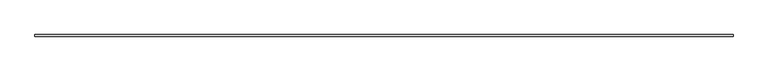
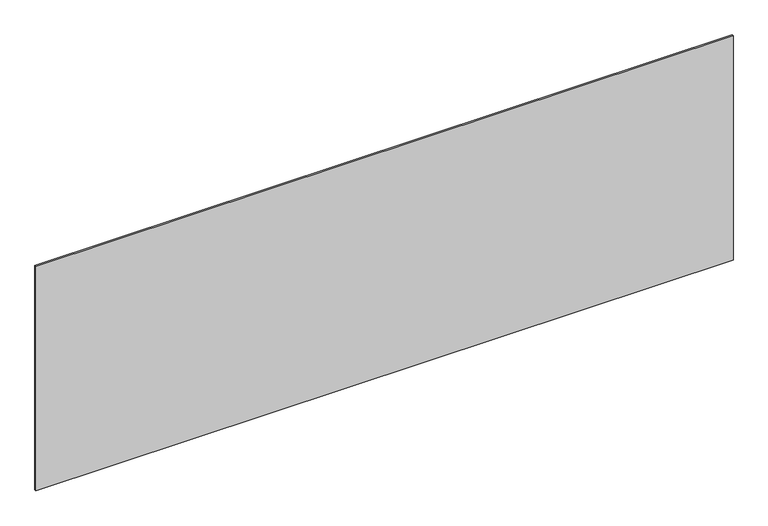
"""IFC4 building model written with IfcOpenShell, lengths in millimetres: plate geometry."""

from ifc_helpers import new_model, si_unit, origin, origin_with_axes, place, context, project, spatial, polyline, outline, extrude, source, transform, mapped, element, save


def plate_e74a51a4(model_context):
    return source(origin(), model_context, "Body", "SweptSolid", [
        extrude(outline(polyline([(2189.1666667, -5.0), (-2189.1666667, -5.0), (-2189.1666667, 5.0), (2189.1666667, 5.0), (2189.1666667, -5.0)])), origin_with_axes(), (0.0, 0.0, 1.0), 1490.115481),
    ])


if __name__ == "__main__":
    model = new_model("IFC4")
    model_context = context("Model", 3, world=origin())
    ifc_project = project(units=[si_unit("LENGTHUNIT", "METRE", prefix="MILLI")], contexts=[model_context])
    site = spatial("IfcSite", under=ifc_project)
    building = spatial("IfcBuilding", under=site)
    placement = place(None, origin())
    plate_shape = plate_e74a51a4(model_context)
    element("IfcPlate", 1, at=placement, inside=building, context=model_context, shape_type="MappedRepresentation", body=[
        mapped(plate_shape, transform((0.0, 0.0, 0.0), x_axis=(1.0, 0.0, 0.0), y_axis=(0.0, 1.0, 0.0), z_axis=(0.0, 0.0, 1.0))),
    ])
    save(model, "model.ifc")
